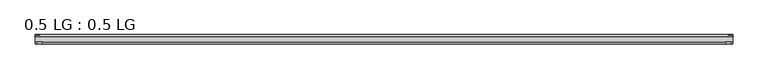
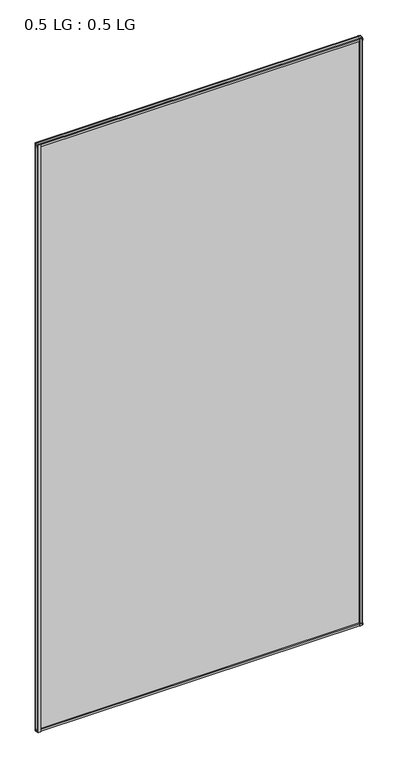
"""IFC4 building model written with IfcOpenShell, lengths in millimetres: plate geometry, 0.5 LG : 0.5 LG."""

from ifc_helpers import new_model, si_unit, frame, origin, origin_with_axes, place, context, project, spatial, polyline, outline, extrude, source, transform, mapped, element, save


def plate_0_5_lg_0_5_lg_acec352d(model_context):
    return source(origin(), model_context, "Body", "SweptSolid", [
        extrude(outline(polyline([(-843.2139513, 16.9767247), (-844.4235412, 21.828125), (-830.8660345, 21.828125), (-832.0756244, 16.9767247), (-843.2139513, 16.9767247)])), origin_with_axes(), (0.0, 0.0, 1.0), 3234.2187865),
        extrude(outline(polyline([(-848.6599387, 34.680525), (-847.4221258, 39.4557249), (-836.3096173, 39.4557249), (-835.0958142, 34.680525), (-848.6599387, 34.680525)])), origin_with_axes(), (0.0, 0.0, 1.0), 3234.2187865),
        extrude(outline(polyline([(843.2139513, 16.9767247), (832.0756244, 16.9767247), (830.8660345, 21.828125), (844.4235412, 21.828125), (843.2139513, 16.9767247)])), origin_with_axes(), (0.0, 0.0, 1.0), 3234.2187865),
        extrude(outline(polyline([(848.6599387, 34.680525), (835.0958142, 34.680525), (836.3096173, 39.4557249), (847.4221258, 39.4557249), (848.6599387, 34.680525)])), origin_with_axes(), (0.0, 0.0, 1.0), 3234.2187865),
        extrude(outline(polyline([(39.4569539, 11.124921), (39.4569539, 0.0005878), (34.680525, -1.2138382), (34.680525, 12.3392211), (39.4569539, 11.124921)])), frame((-847.4221258, 0.0, 0.0), z_axis=(1.0, 0.0, 0.0), x_axis=(0.0, 1.0, 0.0)), (0.0, 0.0, 1.0), 1694.8442516),
        extrude(outline(polyline([(16.9767101, 13.8303088), (21.828125, 15.0636853), (21.828125, 1.4714303), (16.9767101, 2.704584), (16.9767101, 13.8303088)])), frame((-847.4221258, 0.0, 0.0), z_axis=(1.0, 0.0, 0.0), x_axis=(0.0, 1.0, 0.0)), (0.0, 0.0, 1.0), 1694.8442516),
        extrude(outline(polyline([(39.4569539, 3223.0938655), (34.680525, 3221.8795655), (34.680525, 3235.4326247), (39.4569539, 3234.2181987), (39.4569539, 3223.0938655)])), frame((-847.4221258, 0.0, 0.0), z_axis=(1.0, 0.0, 0.0), x_axis=(0.0, 1.0, 0.0)), (0.0, 0.0, 1.0), 1694.8442516),
        extrude(outline(polyline([(16.9767101, 3220.3884777), (16.9767101, 3231.5142026), (21.828125, 3232.7473562), (21.828125, 3219.1551012), (16.9767101, 3220.3884777)])), frame((-847.4221258, 0.0, 0.0), z_axis=(1.0, 0.0, 0.0), x_axis=(0.0, 1.0, 0.0)), (0.0, 0.0, 1.0), 1694.8442516),
        extrude(outline(polyline([(847.4221258, 34.680525), (847.4221258, 21.828125), (-847.4221258, 21.828125), (-847.4221258, 34.680525), (847.4221258, 34.680525)])), origin_with_axes(), (0.0, 0.0, 1.0), 3234.2187865),
    ])


if __name__ == "__main__":
    model = new_model("IFC4")
    model_context = context("Model", 3, world=origin())
    ifc_project = project(units=[si_unit("LENGTHUNIT", "METRE", prefix="MILLI")], contexts=[model_context])
    site = spatial("IfcSite", under=ifc_project)
    building = spatial("IfcBuilding", under=site)
    placement = place(None, origin())
    plate_0_5_lg_0_5_lg_shape = plate_0_5_lg_0_5_lg_acec352d(model_context)
    element("IfcPlate", 1, ObjectType="0.5 LG : 0.5 LG", at=placement, inside=building, context=model_context, shape_type="MappedRepresentation", body=[
        mapped(plate_0_5_lg_0_5_lg_shape, transform((0.0, 0.0, 0.0), x_axis=(1.0, 0.0, 0.0), y_axis=(0.0, 1.0, 0.0), z_axis=(0.0, 0.0, 1.0))),
    ])
    save(model, "model.ifc")
